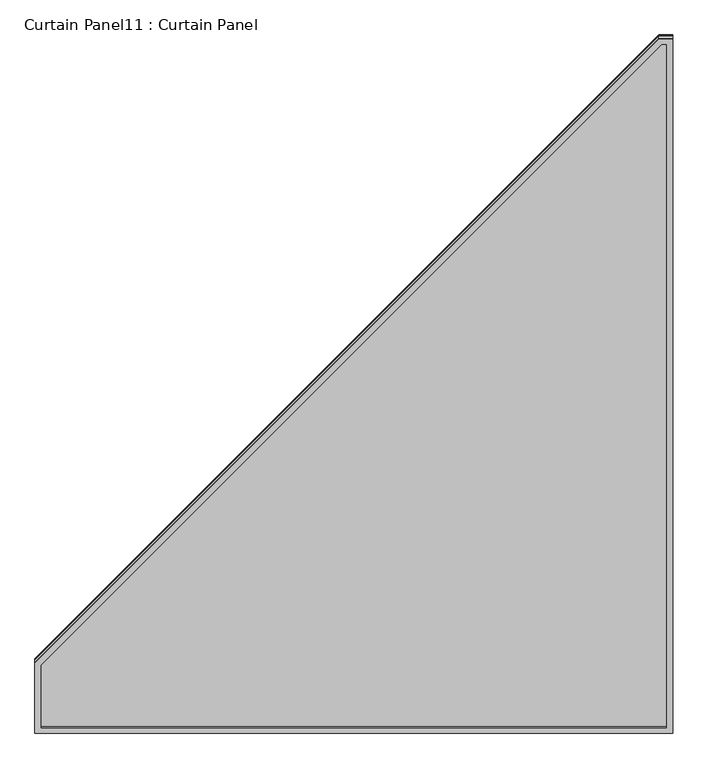
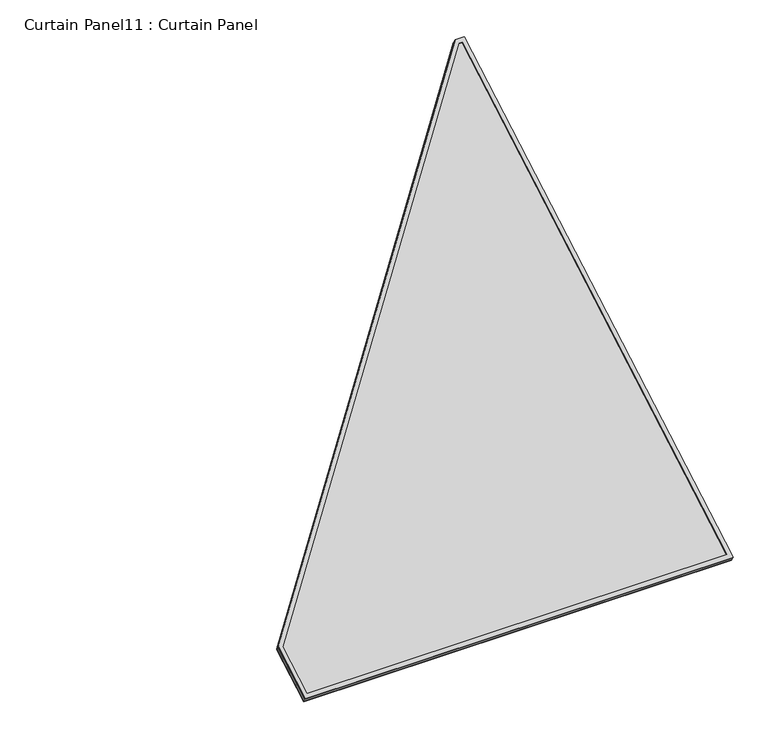
"""IFC4 building model written with IfcOpenShell, lengths in millimetres: plate geometry, Curtain Panel11 : Curtain Panel."""

from ifc_helpers import new_model, si_unit, frame, origin, place, context, project, spatial, polyline, outline, extrude, source, transform, mapped, element, save


def curtain_panel11_curtain_panel_192aa477(model_context):
    return source(origin(), model_context, "Body", "SweptSolid", [
        extrude(outline(polyline([(1998.2896137, -11.1252), (-11.1252, -11.1252), (-11.1252, 1589.0748), (190.6548222, 1589.0748), (1998.2896137, 23.6171499), (1998.2896137, -11.1252)]), holes=[polyline([(186.5070729, 1577.9496), (0.0, 1577.9496), (0.0, 0.0), (1987.1644137, 0.0), (1987.1644137, 18.5345994), (186.5070729, 1577.9496)])]), frame((4302.1278333, -13031.7916554, 1681.5562128), z_axis=(0.0, -0.4999999999999995, 0.866025403784439), x_axis=(0.0, 0.866025403784439, 0.4999999999999995)), (0.0, 0.0, 1.0), 4.8617188),
        extrude(outline(polyline([(1993.5271136, -15.8877), (-15.8877, -15.8877), (-15.8877, 1584.3123), (185.8923222, 1584.3123), (1993.5271136, 18.8546499), (1993.5271136, -15.8877)]), holes=[polyline([(179.9689953, 1568.4246), (0.0, 1568.4246), (0.0, 0.0), (1977.6394136, 0.0), (1977.6394136, 11.5963501), (179.9689953, 1568.4246)])]), frame((4297.3653333, -13036.8945531, 1699.919691), z_axis=(0.0, -0.49999999999999906, 0.8660254037844393), x_axis=(0.0, 0.8660254037844393, 0.49999999999999906)), (0.0, 0.0, 1.0), 4.0243125),
        extrude(outline(polyline([(12.7, 0.0), (1612.9, 0.0), (1612.9, -201.7800222), (47.4423499, -2009.4148137), (12.7, -2009.4148137), (12.7, 0.0)])), frame((4325.9530333, -13043.8572206, 1680.2039847), z_axis=(0.0, -0.49999999999999867, 0.8660254037844395), x_axis=(-1.0, 0.0, 0.0)), (0.0, 0.0, 1.0), 13.5929688),
    ])


if __name__ == "__main__":
    model = new_model("IFC4")
    model_context = context("Model", 3, world=origin())
    ifc_project = project(units=[si_unit("LENGTHUNIT", "METRE", prefix="MILLI")], contexts=[model_context])
    site = spatial("IfcSite", under=ifc_project)
    building = spatial("IfcBuilding", under=site)
    placement = place(None, origin())
    curtain_panel11_curtain_panel_shape = curtain_panel11_curtain_panel_192aa477(model_context)
    element("IfcPlate", 1, ObjectType="Curtain Panel11 : Curtain Panel", at=placement, inside=building, context=model_context, shape_type="MappedRepresentation", body=[
        mapped(curtain_panel11_curtain_panel_shape, transform((0.0, 0.0, 0.0), x_axis=(1.0, 0.0, 0.0), y_axis=(0.0, 1.0, 0.0), z_axis=(0.0, 0.0, 1.0))),
    ])
    save(model, "model.ifc")
